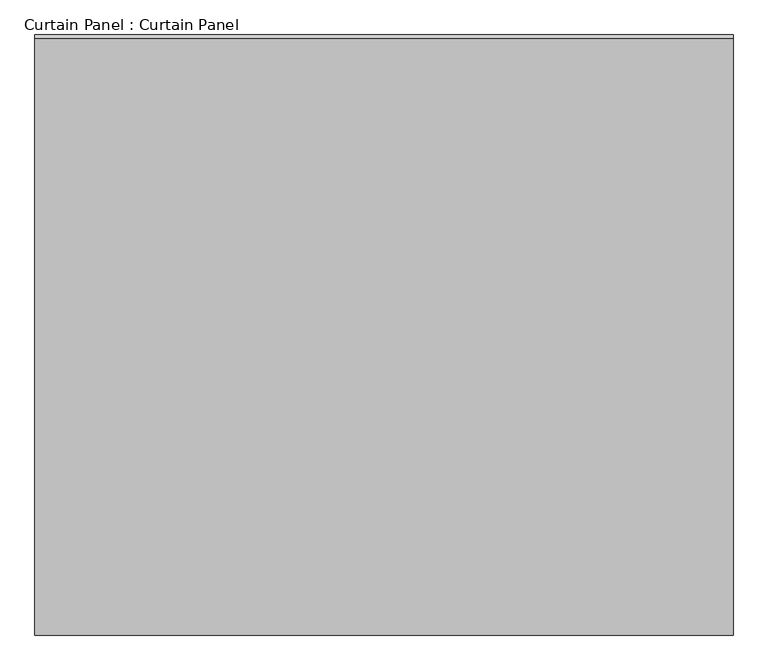
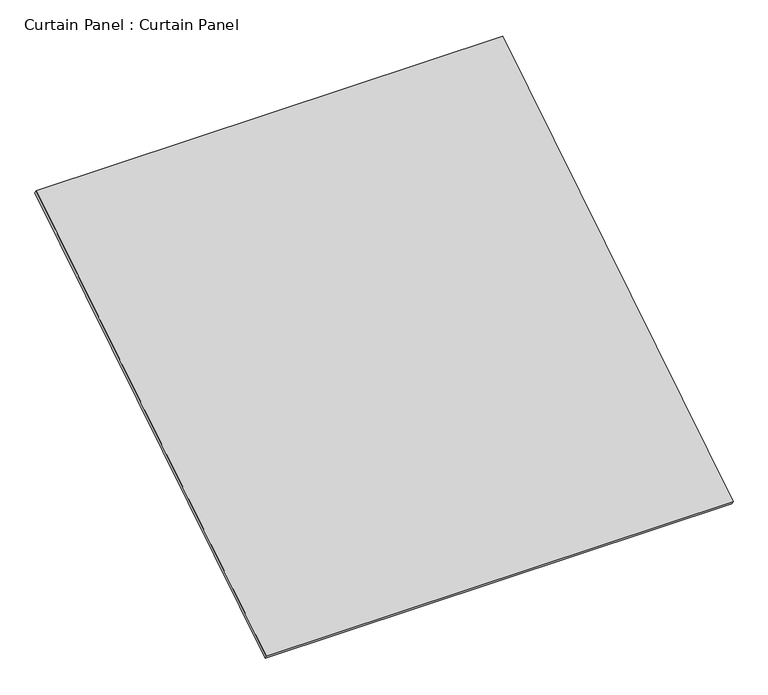
"""IFC4 building model written with IfcOpenShell, lengths in millimetres: plate geometry, Curtain Panel : Curtain Panel."""

from ifc_helpers import new_model, si_unit, frame, origin, place, context, project, spatial, polyline, outline, extrude, source, transform, mapped, element, save


def curtain_panel_curtain_panel_035ab320(model_context):
    return source(origin(), model_context, "Body", "SweptSolid", [
        extrude(outline(polyline([(-63.5, 0.0), (-63.5, -3013.0749999), (-3048.0, -3013.0749999), (-3048.0, 0.0), (-63.5, 0.0)])), frame((-126814.6430895, 1236.2760673, 10424.4040613), z_axis=(0.0, -0.5318918435658209, 0.8468122972348432), x_axis=(-1.0, 0.0, 0.0)), (0.0, 0.0, 1.0), 25.4),
    ])


if __name__ == "__main__":
    model = new_model("IFC4")
    model_context = context("Model", 3, world=origin())
    ifc_project = project(units=[si_unit("LENGTHUNIT", "METRE", prefix="MILLI")], contexts=[model_context])
    site = spatial("IfcSite", under=ifc_project)
    building = spatial("IfcBuilding", under=site)
    placement = place(None, origin())
    curtain_panel_curtain_panel_shape = curtain_panel_curtain_panel_035ab320(model_context)
    element("IfcPlate", 1, ObjectType="Curtain Panel : Curtain Panel", at=placement, inside=building, context=model_context, shape_type="MappedRepresentation", body=[
        mapped(curtain_panel_curtain_panel_shape, transform((0.0, 0.0, 0.0), x_axis=(1.0, 0.0, 0.0), y_axis=(0.0, 1.0, 0.0), z_axis=(0.0, 0.0, 1.0))),
    ])
    save(model, "model.ifc")
